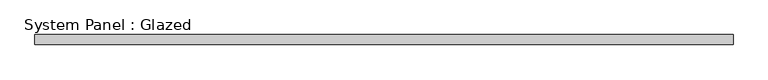
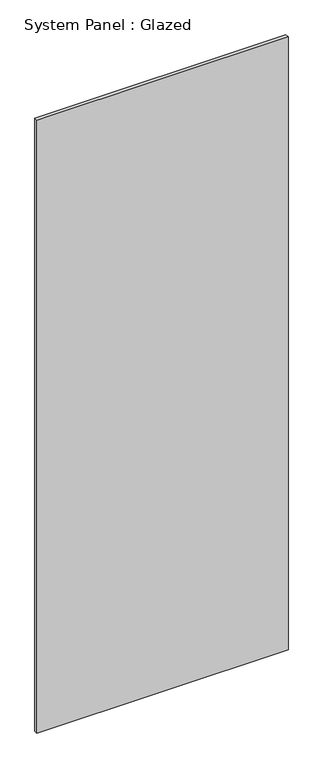
"""IFC4 building model written with IfcOpenShell, lengths in millimetres: plate geometry, System Panel : Glazed."""

from ifc_helpers import new_model, si_unit, origin, origin_with_axes, place, context, project, spatial, polyline, outline, extrude, source, transform, mapped, element, save


def system_panel_glazed_1c687cbf(model_context):
    return source(origin(), model_context, "Body", "SweptSolid", [
        extrude(outline(polyline([(871.7083333, -49.5), (-871.7083333, -49.5), (-871.7083333, -24.5), (871.7083333, -24.5), (871.7083333, -49.5)])), origin_with_axes(), (0.0, 0.0, 1.0), 4500.0),
    ])


if __name__ == "__main__":
    model = new_model("IFC4")
    model_context = context("Model", 3, world=origin())
    ifc_project = project(units=[si_unit("LENGTHUNIT", "METRE", prefix="MILLI")], contexts=[model_context])
    site = spatial("IfcSite", under=ifc_project)
    building = spatial("IfcBuilding", under=site)
    placement = place(None, origin())
    system_panel_glazed_shape = system_panel_glazed_1c687cbf(model_context)
    element("IfcPlate", 1, ObjectType="System Panel : Glazed", at=placement, inside=building, context=model_context, shape_type="MappedRepresentation", body=[
        mapped(system_panel_glazed_shape, transform((0.0, 0.0, 0.0), x_axis=(1.0, 0.0, 0.0), y_axis=(0.0, 1.0, 0.0), z_axis=(0.0, 0.0, 1.0))),
    ])
    save(model, "model.ifc")
